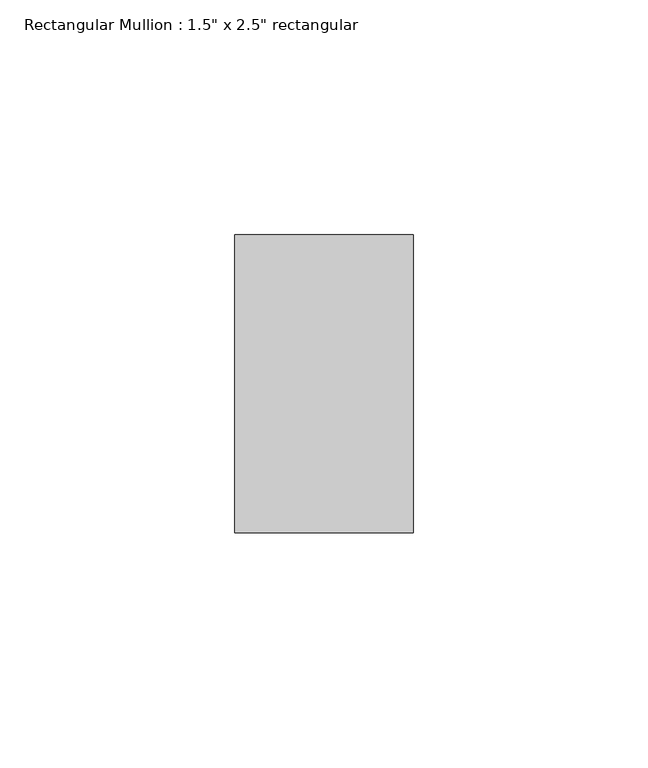
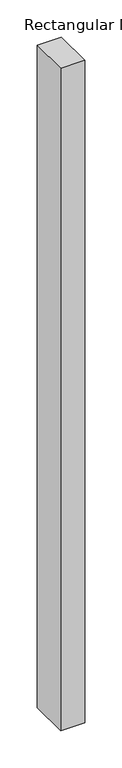
"""IFC4 building model written with IfcOpenShell, lengths in millimetres: member geometry."""

from ifc_helpers import new_model, si_unit, frame, origin, place, context, project, spatial, polyline, outline, extrude, source, transform, mapped, element, save


def member_ebb37597(model_context):
    return source(origin(), model_context, "Body", "SweptSolid", [
        extrude(outline(polyline([(0.0, 31.75), (0.0, -31.75), (-38.1, -31.75), (-38.1, 31.75), (0.0, 31.75)])), frame((0.0, 0.0, -1092.2), z_axis=(0.0, 0.0, 1.0), x_axis=(1.0, 0.0, 0.0)), (0.0, 0.0, 1.0), 1092.2),
    ])


if __name__ == "__main__":
    model = new_model("IFC4")
    model_context = context("Model", 3, world=origin())
    ifc_project = project(units=[si_unit("LENGTHUNIT", "METRE", prefix="MILLI")], contexts=[model_context])
    site = spatial("IfcSite", under=ifc_project)
    building = spatial("IfcBuilding", under=site)
    placement = place(None, origin())
    member_shape = member_ebb37597(model_context)
    element("IfcMember", 1, ObjectType="Rectangular Mullion : 1.5\" x 2.5\" rectangular", at=placement, inside=building, context=model_context, shape_type="MappedRepresentation", body=[
        mapped(member_shape, transform((0.0, 0.0, 0.0), x_axis=(1.0, 0.0, 0.0), y_axis=(0.0, 1.0, 0.0), z_axis=(0.0, 0.0, 1.0))),
    ])
    save(model, "model.ifc")
